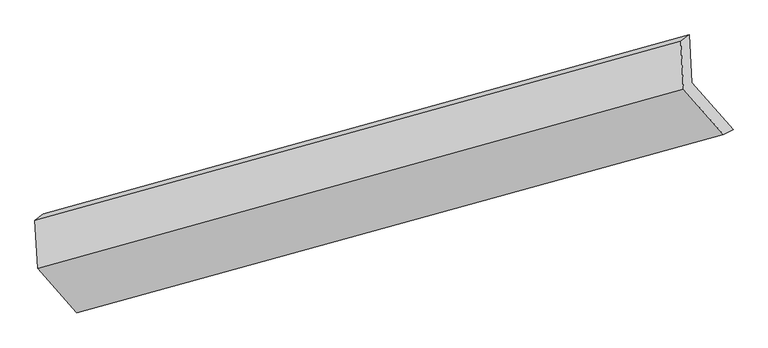
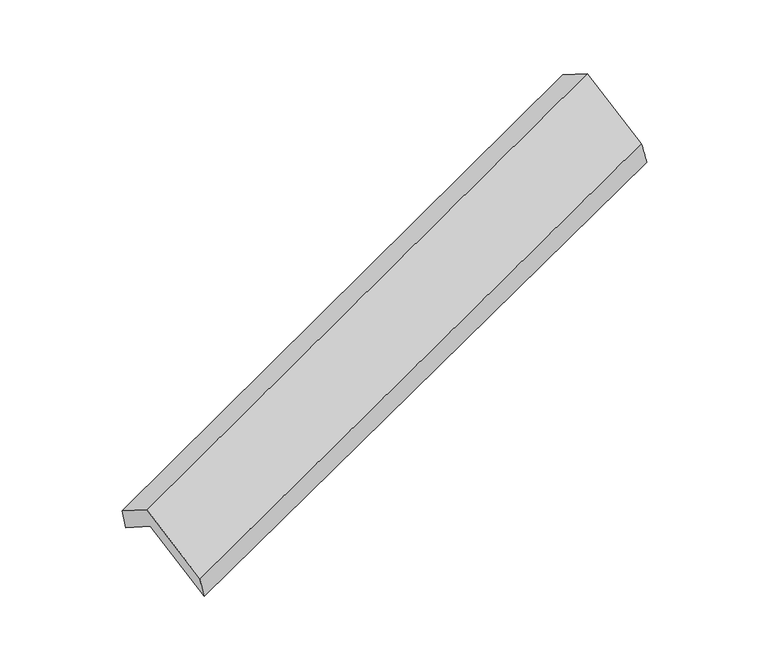
"""IFC4 building model written with IfcOpenShell, lengths in millimetres: proxy geometry."""

import ifcopenshell
import ifcopenshell.guid

model = None  # the IFC model being written
_history = None  # IfcOwnerHistory: only IFC2X3 demands one
_inside = {}  # id of a spatial element -> (the spatial element, [elements in it])
_under = {}  # id of a project, library or spatial element -> (it, [spatial elements below it])
_declared = {}  # id of a project -> (the project, [libraries it declares])
_typed = {}  # id of a type object -> (the type object, [elements of that type])
_made_of = {}  # id of a material, layer set ... -> (it, [elements and type objects made of it])


def new_model(schema):
    """Start an empty IFC model of exactly this schema.

    Asked for "IFC4X3", IfcOpenShell would pick the latest addendum, in which some entities
    have other attributes; the version numbers below select the first issue.
    IFC2X3 requires an IfcOwnerHistory on every rooted entity: one is made here for all.
    """
    global model, _history
    if schema == "IFC4X3":
        model = ifcopenshell.file(schema_version=(4, 3, 0, 0))
    else:
        model = ifcopenshell.file(schema=schema)
    _inside.clear()
    _under.clear()
    _declared.clear()
    _typed.clear()
    _made_of.clear()
    _history = None
    if model.schema == "IFC2X3":
        org = make("IfcOrganization", Name="unknown")
        user = make(
            "IfcPersonAndOrganization",
            ThePerson=make("IfcPerson", FamilyName="unknown"),
            TheOrganization=org,
        )
        app = make(
            "IfcApplication",
            ApplicationDeveloper=org,
            Version="unknown",
            ApplicationFullName="unknown",
            ApplicationIdentifier="unknown",
        )
        _history = make(
            "IfcOwnerHistory",
            OwningUser=user,
            OwningApplication=app,
            ChangeAction="ADDED",
            CreationDate=0,
        )
    return model


def make(cls, **values):
    """One entity of the class cls with the attributes given. An attribute that is None is left unset."""
    return model.create_entity(
        cls, **{name: value for name, value in values.items() if value is not None}
    )


def rooted(cls, **values):
    """An entity with a GlobalId (a new one), such as an element, a storey or a relation."""
    return make(cls, GlobalId=ifcopenshell.guid.new(), OwnerHistory=_history, **values)


def si_unit(unit_type, name, prefix=None):
    """IfcSIUnit, for example si_unit("LENGTHUNIT", "METRE", prefix="MILLI")."""
    return make("IfcSIUnit", UnitType=unit_type, Prefix=prefix, Name=name)


def assignment(units):
    """IfcUnitAssignment: the units of a project."""
    return None if units is None else make("IfcUnitAssignment", Units=units)


def point(xyz):
    """IfcCartesianPoint."""
    return None if xyz is None else make("IfcCartesianPoint", Coordinates=xyz)


def direction(xyz):
    """IfcDirection."""
    return None if xyz is None else make("IfcDirection", DirectionRatios=xyz)


def frame(location, z_axis=None, x_axis=None):
    """IfcAxis2Placement3D, a coordinate frame: its origin and axes. An axis left out is left unset."""
    return make(
        "IfcAxis2Placement3D",
        Location=point(location),
        Axis=direction(z_axis),
        RefDirection=direction(x_axis),
    )


def origin():
    """The frame at (0, 0, 0) with its axes left unset."""
    return frame((0.0, 0.0, 0.0))


def place(relative_to, where):
    """IfcLocalPlacement: puts the frame where relative to a parent placement (None: the world)."""
    return make(
        "IfcLocalPlacement", PlacementRelTo=relative_to, RelativePlacement=where
    )


def context(
    kind, dimensions, precision=None, world=None, true_north=None, identifier=None
):
    """IfcGeometricRepresentationContext, for example the 3D "Model" context."""
    return make(
        "IfcGeometricRepresentationContext",
        ContextIdentifier=identifier,
        ContextType=kind,
        CoordinateSpaceDimension=dimensions,
        Precision=precision,
        WorldCoordinateSystem=world,
        TrueNorth=true_north,
    )


def project(units=None, contexts=None):
    """IfcProject with its units and contexts."""
    return rooted(
        "IfcProject",
        Name="project",
        RepresentationContexts=contexts,
        UnitsInContext=assignment(units),
    )


def spatial(cls, under=None, at=None, **own):
    """A site, building, storey or space (cls), placed at a placement, below another one or the project."""
    s = rooted(cls, ObjectPlacement=at, **own)
    if under is not None:
        _under.setdefault(under.id(), (under, []))[1].append(s)
    return s


def shape(context_of_items, identifier, shape_type, items):
    """IfcShapeRepresentation: the items that make up one representation, for example the "Body"."""
    return make(
        "IfcShapeRepresentation",
        ContextOfItems=context_of_items,
        RepresentationIdentifier=identifier,
        RepresentationType=shape_type,
        Items=items,
    )


def source(mapping_origin, context_of_items, identifier, shape_type, items):
    """IfcRepresentationMap: a shape defined once, which mapped items show again and again."""
    return make(
        "IfcRepresentationMap",
        MappingOrigin=mapping_origin,
        MappedRepresentation=shape(context_of_items, identifier, shape_type, items),
    )


def transform(
    local_origin,
    x_axis=None,
    y_axis=None,
    z_axis=None,
    scale=None,
    scale2=None,
    scale3=None,
    uniform=True,
):
    """IfcCartesianTransformationOperator3D, or its non-uniform kind. x_axis, y_axis, z_axis: its Axis1, 2, 3."""
    if uniform:
        return make(
            "IfcCartesianTransformationOperator3D",
            Axis1=direction(x_axis),
            Axis2=direction(y_axis),
            LocalOrigin=point(local_origin),
            Scale=scale,
            Axis3=direction(z_axis),
        )
    return make(
        "IfcCartesianTransformationOperator3DnonUniform",
        Axis1=direction(x_axis),
        Axis2=direction(y_axis),
        LocalOrigin=point(local_origin),
        Scale=scale,
        Axis3=direction(z_axis),
        Scale2=scale2,
        Scale3=scale3,
    )


def mapped(mapping_source, mapping_target):
    """IfcMappedItem: shows the shape of a source again, moved by a transform."""
    return make(
        "IfcMappedItem", MappingSource=mapping_source, MappingTarget=mapping_target
    )


def made_of(thing, what):
    """Note that an element or type object is made of a material, layer set ...; save() writes the relation."""
    if what is not None:
        _made_of.setdefault(what.id(), (what, []))[1].append(thing)
    return thing


def element(
    cls,
    number,
    at=None,
    inside=None,
    cuts=None,
    type_object=None,
    material=None,
    context=None,
    identifier="Body",
    shape_type=None,
    held_by="IfcProductDefinitionShape",
    body=None,
    shapes=None,
    **own,
):
    """One element of the class cls, such as IfcWall. Its Tag is "e" and its number.

    at: its placement. inside: the storey or other place that contains it. cuts: it is an
    opening in that element (IfcRelVoidsElement). A single representation is given by context,
    identifier, shape_type and body (its items); several are given by shapes. held_by: the class
    of the entity that holds the representations. save() writes the other relations.
    """
    e = rooted(cls, Tag="e%d" % number, ObjectPlacement=at, **own)
    if body is not None:
        shapes = [shape(context, identifier, shape_type, body)]
    if shapes is not None:
        e.Representation = make(held_by, Representations=shapes)
    if inside is not None:
        _inside.setdefault(inside.id(), (inside, []))[1].append(e)
    if cuts is not None:
        rooted(
            "IfcRelVoidsElement", RelatingBuildingElement=cuts, RelatedOpeningElement=e
        )
    if type_object is not None:
        _typed.setdefault(type_object.id(), (type_object, []))[1].append(e)
    return made_of(e, material)


def aggregate(whole, parts):
    """IfcRelAggregates: a whole, such as a stair, and the parts it consists of."""
    return rooted("IfcRelAggregates", RelatingObject=whole, RelatedObjects=parts)


def save(model, path):
    """Write the relations noted so far, then the file.

    IfcRelAggregates (storeys below a building ...), IfcRelContainedInSpatialStructure (elements
    in a storey), IfcRelDefinesByType, IfcRelAssociatesMaterial and IfcRelDeclares: one each for
    every whole, place, type object, material and project.
    """
    for whole, parts in _under.values():
        aggregate(whole, parts)
    for where, things in _inside.values():
        rooted(
            "IfcRelContainedInSpatialStructure",
            RelatedElements=things,
            RelatingStructure=where,
        )
    for kind, things in _typed.values():
        rooted("IfcRelDefinesByType", RelatedObjects=things, RelatingType=kind)
    for what, things in _made_of.values():
        rooted("IfcRelAssociatesMaterial", RelatedObjects=things, RelatingMaterial=what)
    for by, libraries in _declared.values():
        rooted("IfcRelDeclares", RelatingContext=by, RelatedDefinitions=libraries)
    model.write(path)


def plane_surface(at):
    """IfcPlane: the flat surface through the origin of the frame at, square to its z axis."""
    return make("IfcPlane", Position=at)


def spline_surface(u_degree, v_degree, points, u_multiplicities, v_multiplicities, u_knots, v_knots, weights=None):
    """IfcBSplineSurfaceWithKnots; with weights, IfcRationalBSplineSurfaceWithKnots. points: one row for each step in u."""
    own = dict(
        UDegree=u_degree,
        VDegree=v_degree,
        ControlPointsList=[[point(p) for p in row] for row in points],
        SurfaceForm="UNSPECIFIED",
        UClosed=False,
        VClosed=False,
        SelfIntersect=False,
        UMultiplicities=u_multiplicities,
        VMultiplicities=v_multiplicities,
        UKnots=u_knots,
        VKnots=v_knots,
        KnotSpec="UNSPECIFIED",
    )
    if weights is None:
        return make("IfcBSplineSurfaceWithKnots", **own)
    return make("IfcRationalBSplineSurfaceWithKnots", WeightsData=weights, **own)


def advanced_brep(points, edges, surfaces, faces):
    """IfcAdvancedBrep: a solid bounded by faces that lie on surfaces and meet in shared edges.

    An edge is (start, end): straight between two places in points (the first is 0);
    or (start, end, curve); or (start, end, curve, False) where it runs against its curve.
    A face is (place in surfaces, loops), or (place, loops, False) where it looks against
    its surface's normal. A loop lists edges by number (the first is 1), with a minus sign
    where the edge is run from its end to its start. The first loop is the outer one.
    """
    corners = [point(p) for p in points]
    vertices = [make("IfcVertexPoint", VertexGeometry=c) for c in corners]
    made = []
    for start, end, *more in edges:
        made.append(
            make(
                "IfcEdgeCurve",
                EdgeStart=vertices[start],
                EdgeEnd=vertices[end],
                EdgeGeometry=more[0] if more else make("IfcPolyline", Points=[corners[start], corners[end]]),
                SameSense=more[1] if len(more) > 1 else True,
            )
        )
    hull = []
    for where, loops, *sense in faces:
        bounds = []
        for j, loop in enumerate(loops):
            ring = [make("IfcOrientedEdge", EdgeElement=made[abs(k) - 1], Orientation=k > 0) for k in loop]
            bounds.append(
                make(
                    "IfcFaceOuterBound" if j == 0 else "IfcFaceBound",
                    Bound=make("IfcEdgeLoop", EdgeList=ring),
                    Orientation=True,
                )
            )
        hull.append(make("IfcAdvancedFace", Bounds=bounds, FaceSurface=surfaces[where], SameSense=sense[0] if sense else True))
    return make("IfcAdvancedBrep", Outer=make("IfcClosedShell", CfsFaces=hull))


def generic_models_5063c09d(model_context):
    return source(origin(), model_context, "Body", "AdvancedBrep", [
        advanced_brep(
        [(-5086.7531427, -2090.3892703, 1290.2860067), (-5104.3792908, -1770.0409027, 1091.9904267), (-764.7593472, -565.0665695, 2652.8965074), (-747.133199, -885.4149371, 2851.1920873), (-5160.8156725, -1813.9243894, 1284.7469487), (-821.1957289, -608.9500563, 2845.6530294), (-5143.1895244, -2134.272757, 1483.0425287), (-803.5695807, -929.2984238, 3043.9486093), (-4878.2273004, -2436.4453154, 971.3278992), (-534.5351818, -1236.1150387, 2524.3694945), (-4817.7187437, -2397.2058851, 770.7068919), (-469.9544501, -1201.519665, 2315.8840018)],
        [
            (0, 1),
            (1, 2),
            (2, 3),
            (3, 0),
            (1, 4),
            (4, 5),
            (5, 2),
            (4, 6),
            (6, 7),
            (7, 5),
            (6, 8),
            (8, 9),
            (9, 7),
            (8, 10),
            (10, 11),
            (11, 9),
            (10, 0),
            (3, 11),
        ],
        [
            plane_surface(frame((-5095.5662168, -1930.2150865, 1191.1382167), z_axis=(0.41104109108811626, -0.4633490454068953, -0.785081450269722), x_axis=(-0.04673301570146204, 0.8493543315679335, -0.5257501732669576))),
            plane_surface(frame((-5132.5974817, -1791.9826461, 1188.3686877), z_axis=(-0.306918528972009, 0.9434995645993408, 0.12493833748898941), x_axis=(-0.27451374164897135, -0.21345486342676434, 0.9375922498215007))),
            plane_surface(frame((-5152.0025984, -1974.0985732, 1383.8947387), z_axis=(-0.41104109108811615, 0.4633490454068953, 0.785081450269722), x_axis=(0.04673301570146204, -0.8493543315679335, 0.5257501732669576))),
            plane_surface(frame((-5010.7084124, -2285.3590362, 1227.1852139), z_axis=(0.046733015701466624, -0.8493543315679408, 0.5257501732669455), x_axis=(0.407217501264325, -0.4644056512639716, -0.7864485347040364))),
            spline_surface(1, 1, [[(-4878.2273004, -2436.4453154, 971.3278992), (-534.5351818, -1236.1150387, 2524.3694945)], [(-4817.7187437, -2397.2058851, 770.7068919), (-469.9544501, -1201.519665, 2315.8840018)]], [2, 2], [2, 2], [0.0, 1.0], [0.0, 1.0]),
            plane_surface(frame((-4952.2359432, -2243.7975777, 1030.4964493), z_axis=(-0.04673301570145644, 0.8493543315679314, -0.5257501732669614), x_axis=(-0.4072175012643464, 0.4644056512639838, 0.786448534704018))),
            plane_surface(frame((-690.1912479, -904.3941151, 2705.6572883), z_axis=(0.9121348211243081, 0.25084778356773985, 0.3241688719968019), x_axis=(0.2922423119818259, 0.15655183417869128, -0.9434436677951709))),
            plane_surface(frame((-5031.8472791, -2107.04642, 1148.6834503), z_axis=(-0.9121348211243097, -0.25084778356780313, -0.32416887199674876), x_axis=(0.40721750126433415, -0.4644056512639792, -0.7864485347040271))),
        ],
        [
            (0, [[1, 2, 3, 4]]),
            (1, [[5, 6, 7, -2]]),
            (2, [[8, 9, 10, -6]]),
            (3, [[11, 12, 13, -9]]),
            (4, [[14, 15, 16, -12]]),
            (5, [[17, -4, 18, -15]]),
            (6, [[-16, -18, -3, -7, -10, -13]]),
            (7, [[-17, -14, -11, -8, -5, -1]]),
        ],
    ),
    ])


if __name__ == "__main__":
    model = new_model("IFC4")
    model_context = context("Model", 3, world=origin())
    ifc_project = project(units=[si_unit("LENGTHUNIT", "METRE", prefix="MILLI")], contexts=[model_context])
    site = spatial("IfcSite", under=ifc_project)
    building = spatial("IfcBuilding", under=site)
    placement = place(None, origin())
    generic_models_shape = generic_models_5063c09d(model_context)
    element("IfcBuildingElementProxy", 1, Name="Generic Models", at=placement, inside=building, context=model_context, shape_type="MappedRepresentation", body=[
        mapped(generic_models_shape, transform((0.0, 0.0, 0.0), x_axis=(1.0, 0.0, 0.0), y_axis=(0.0, 1.0, 0.0), z_axis=(0.0, 0.0, 1.0))),
    ])
    save(model, "model.ifc")
